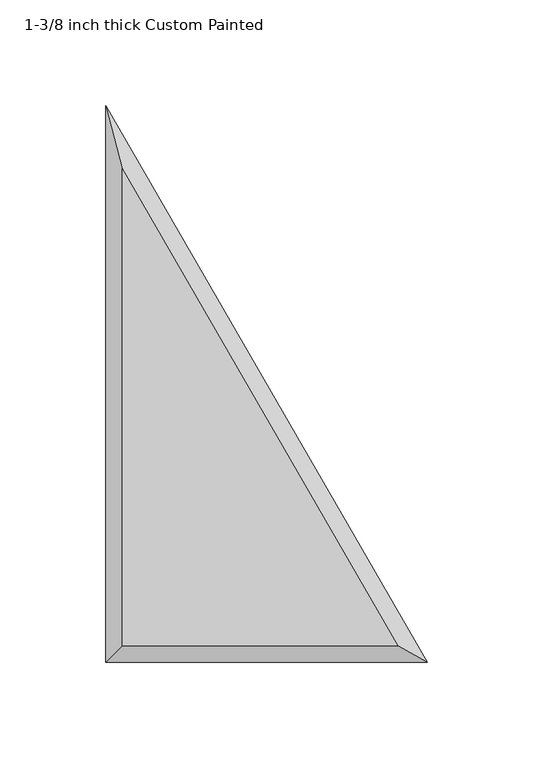
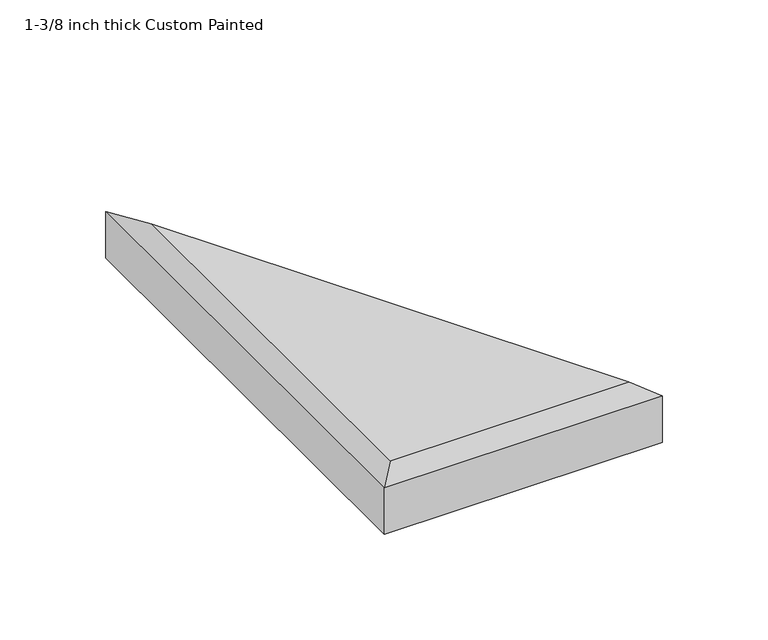
"""IFC4 building model written with IfcOpenShell, lengths in millimetres: proxy geometry, 1-3/8 inch thick Custom Painted."""

import ifcopenshell
import ifcopenshell.guid

model = None  # the IFC model being written
_history = None  # IfcOwnerHistory: only IFC2X3 demands one
_inside = {}  # id of a spatial element -> (the spatial element, [elements in it])
_under = {}  # id of a project, library or spatial element -> (it, [spatial elements below it])
_declared = {}  # id of a project -> (the project, [libraries it declares])
_typed = {}  # id of a type object -> (the type object, [elements of that type])
_made_of = {}  # id of a material, layer set ... -> (it, [elements and type objects made of it])


def new_model(schema):
    """Start an empty IFC model of exactly this schema.

    Asked for "IFC4X3", IfcOpenShell would pick the latest addendum, in which some entities
    have other attributes; the version numbers below select the first issue.
    IFC2X3 requires an IfcOwnerHistory on every rooted entity: one is made here for all.
    """
    global model, _history
    if schema == "IFC4X3":
        model = ifcopenshell.file(schema_version=(4, 3, 0, 0))
    else:
        model = ifcopenshell.file(schema=schema)
    _inside.clear()
    _under.clear()
    _declared.clear()
    _typed.clear()
    _made_of.clear()
    _history = None
    if model.schema == "IFC2X3":
        org = make("IfcOrganization", Name="unknown")
        user = make(
            "IfcPersonAndOrganization",
            ThePerson=make("IfcPerson", FamilyName="unknown"),
            TheOrganization=org,
        )
        app = make(
            "IfcApplication",
            ApplicationDeveloper=org,
            Version="unknown",
            ApplicationFullName="unknown",
            ApplicationIdentifier="unknown",
        )
        _history = make(
            "IfcOwnerHistory",
            OwningUser=user,
            OwningApplication=app,
            ChangeAction="ADDED",
            CreationDate=0,
        )
    return model


def make(cls, **values):
    """One entity of the class cls with the attributes given. An attribute that is None is left unset."""
    return model.create_entity(
        cls, **{name: value for name, value in values.items() if value is not None}
    )


def rooted(cls, **values):
    """An entity with a GlobalId (a new one), such as an element, a storey or a relation."""
    return make(cls, GlobalId=ifcopenshell.guid.new(), OwnerHistory=_history, **values)


def si_unit(unit_type, name, prefix=None):
    """IfcSIUnit, for example si_unit("LENGTHUNIT", "METRE", prefix="MILLI")."""
    return make("IfcSIUnit", UnitType=unit_type, Prefix=prefix, Name=name)


def assignment(units):
    """IfcUnitAssignment: the units of a project."""
    return None if units is None else make("IfcUnitAssignment", Units=units)


def point(xyz):
    """IfcCartesianPoint."""
    return None if xyz is None else make("IfcCartesianPoint", Coordinates=xyz)


def direction(xyz):
    """IfcDirection."""
    return None if xyz is None else make("IfcDirection", DirectionRatios=xyz)


def frame(location, z_axis=None, x_axis=None):
    """IfcAxis2Placement3D, a coordinate frame: its origin and axes. An axis left out is left unset."""
    return make(
        "IfcAxis2Placement3D",
        Location=point(location),
        Axis=direction(z_axis),
        RefDirection=direction(x_axis),
    )


def origin():
    """The frame at (0, 0, 0) with its axes left unset."""
    return frame((0.0, 0.0, 0.0))


def place(relative_to, where):
    """IfcLocalPlacement: puts the frame where relative to a parent placement (None: the world)."""
    return make(
        "IfcLocalPlacement", PlacementRelTo=relative_to, RelativePlacement=where
    )


def context(
    kind, dimensions, precision=None, world=None, true_north=None, identifier=None
):
    """IfcGeometricRepresentationContext, for example the 3D "Model" context."""
    return make(
        "IfcGeometricRepresentationContext",
        ContextIdentifier=identifier,
        ContextType=kind,
        CoordinateSpaceDimension=dimensions,
        Precision=precision,
        WorldCoordinateSystem=world,
        TrueNorth=true_north,
    )


def project(units=None, contexts=None):
    """IfcProject with its units and contexts."""
    return rooted(
        "IfcProject",
        Name="project",
        RepresentationContexts=contexts,
        UnitsInContext=assignment(units),
    )


def spatial(cls, under=None, at=None, **own):
    """A site, building, storey or space (cls), placed at a placement, below another one or the project."""
    s = rooted(cls, ObjectPlacement=at, **own)
    if under is not None:
        _under.setdefault(under.id(), (under, []))[1].append(s)
    return s


def faces_of(points, faces, orient=None, outer=None):
    """IfcFace entities. A face is a list of loops; a loop is a list of indices into points, from 0.

    orient and outer hold one flag for each loop. By default every Orientation is true, the
    first loop of a face is its IfcFaceOuterBound and the others are IfcFaceBound.
    """
    made = []
    for i, loops in enumerate(faces):
        bounds = []
        for j, loop in enumerate(loops):
            is_outer = j == 0 if outer is None else outer[i][j]
            bounds.append(
                make(
                    "IfcFaceOuterBound" if is_outer else "IfcFaceBound",
                    Bound=make("IfcPolyLoop", Polygon=[points[k] for k in loop]),
                    Orientation=True if orient is None else orient[i][j],
                )
            )
        made.append(make("IfcFace", Bounds=bounds))
    return made


def faceted_brep(points, faces, orient=None, outer=None, voids=None):
    """IfcFacetedBrep: a solid bounded by flat faces; with voids (closed shells), ...WithVoids."""
    shared = [point(p) for p in points]
    hull = make("IfcClosedShell", CfsFaces=faces_of(shared, faces, orient, outer))
    if voids is None:
        return make("IfcFacetedBrep", Outer=hull)
    return make(
        "IfcFacetedBrepWithVoids",
        Outer=hull,
        Voids=[
            make(cls, CfsFaces=faces_of(shared, fs, o, b)) for cls, fs, o, b in voids
        ],
    )


def shape(context_of_items, identifier, shape_type, items):
    """IfcShapeRepresentation: the items that make up one representation, for example the "Body"."""
    return make(
        "IfcShapeRepresentation",
        ContextOfItems=context_of_items,
        RepresentationIdentifier=identifier,
        RepresentationType=shape_type,
        Items=items,
    )


def source(mapping_origin, context_of_items, identifier, shape_type, items):
    """IfcRepresentationMap: a shape defined once, which mapped items show again and again."""
    return make(
        "IfcRepresentationMap",
        MappingOrigin=mapping_origin,
        MappedRepresentation=shape(context_of_items, identifier, shape_type, items),
    )


def transform(
    local_origin,
    x_axis=None,
    y_axis=None,
    z_axis=None,
    scale=None,
    scale2=None,
    scale3=None,
    uniform=True,
):
    """IfcCartesianTransformationOperator3D, or its non-uniform kind. x_axis, y_axis, z_axis: its Axis1, 2, 3."""
    if uniform:
        return make(
            "IfcCartesianTransformationOperator3D",
            Axis1=direction(x_axis),
            Axis2=direction(y_axis),
            LocalOrigin=point(local_origin),
            Scale=scale,
            Axis3=direction(z_axis),
        )
    return make(
        "IfcCartesianTransformationOperator3DnonUniform",
        Axis1=direction(x_axis),
        Axis2=direction(y_axis),
        LocalOrigin=point(local_origin),
        Scale=scale,
        Axis3=direction(z_axis),
        Scale2=scale2,
        Scale3=scale3,
    )


def mapped(mapping_source, mapping_target):
    """IfcMappedItem: shows the shape of a source again, moved by a transform."""
    return make(
        "IfcMappedItem", MappingSource=mapping_source, MappingTarget=mapping_target
    )


def made_of(thing, what):
    """Note that an element or type object is made of a material, layer set ...; save() writes the relation."""
    if what is not None:
        _made_of.setdefault(what.id(), (what, []))[1].append(thing)
    return thing


def element(
    cls,
    number,
    at=None,
    inside=None,
    cuts=None,
    type_object=None,
    material=None,
    context=None,
    identifier="Body",
    shape_type=None,
    held_by="IfcProductDefinitionShape",
    body=None,
    shapes=None,
    **own,
):
    """One element of the class cls, such as IfcWall. Its Tag is "e" and its number.

    at: its placement. inside: the storey or other place that contains it. cuts: it is an
    opening in that element (IfcRelVoidsElement). A single representation is given by context,
    identifier, shape_type and body (its items); several are given by shapes. held_by: the class
    of the entity that holds the representations. save() writes the other relations.
    """
    e = rooted(cls, Tag="e%d" % number, ObjectPlacement=at, **own)
    if body is not None:
        shapes = [shape(context, identifier, shape_type, body)]
    if shapes is not None:
        e.Representation = make(held_by, Representations=shapes)
    if inside is not None:
        _inside.setdefault(inside.id(), (inside, []))[1].append(e)
    if cuts is not None:
        rooted(
            "IfcRelVoidsElement", RelatingBuildingElement=cuts, RelatedOpeningElement=e
        )
    if type_object is not None:
        _typed.setdefault(type_object.id(), (type_object, []))[1].append(e)
    return made_of(e, material)


def aggregate(whole, parts):
    """IfcRelAggregates: a whole, such as a stair, and the parts it consists of."""
    return rooted("IfcRelAggregates", RelatingObject=whole, RelatedObjects=parts)


def save(model, path):
    """Write the relations noted so far, then the file.

    IfcRelAggregates (storeys below a building ...), IfcRelContainedInSpatialStructure (elements
    in a storey), IfcRelDefinesByType, IfcRelAssociatesMaterial and IfcRelDeclares: one each for
    every whole, place, type object, material and project.
    """
    for whole, parts in _under.values():
        aggregate(whole, parts)
    for where, things in _inside.values():
        rooted(
            "IfcRelContainedInSpatialStructure",
            RelatedElements=things,
            RelatingStructure=where,
        )
    for kind, things in _typed.values():
        rooted("IfcRelDefinesByType", RelatedObjects=things, RelatingType=kind)
    for what, things in _made_of.values():
        rooted("IfcRelAssociatesMaterial", RelatedObjects=things, RelatingMaterial=what)
    for by, libraries in _declared.values():
        rooted("IfcRelDeclares", RelatingContext=by, RelatedDefinitions=libraries)
    model.write(path)


def proxy_1_3_8_inch_thick_custom_painted_ffd49ae4(model_context):
    return source(origin(), model_context, "Body", "Brep", [
        faceted_brep([(8.001, 234.1044046, 34.925), (8.001, 8.001, 34.925), (138.5418615, 8.001, 34.925), (152.4, 0.0, 0.0), (0.0, 0.0, 0.0), (0.0, 263.9645431, 0.0), (152.4, 0.0, 26.924), (0.0, 0.0, 26.924), (0.0, 263.9645431, 26.924)], [[[0, 1, 2]], [[3, 4, 5]], [[4, 3, 6, 7]], [[3, 5, 8, 6]], [[5, 4, 7, 8]], [[7, 1, 0, 8]], [[1, 7, 6, 2]], [[8, 0, 2, 6]]]),
    ])


if __name__ == "__main__":
    model = new_model("IFC4")
    model_context = context("Model", 3, world=origin())
    ifc_project = project(units=[si_unit("LENGTHUNIT", "METRE", prefix="MILLI")], contexts=[model_context])
    site = spatial("IfcSite", under=ifc_project)
    building = spatial("IfcBuilding", under=site)
    placement = place(None, origin())
    proxy_1_3_8_inch_thick_custom_painted_shape = proxy_1_3_8_inch_thick_custom_painted_ffd49ae4(model_context)
    element("IfcBuildingElementProxy", 1, Name="1-3/8 inch thick Custom Painted", ObjectType="1-3/8 inch thick Custom Painted", at=placement, inside=building, context=model_context, shape_type="MappedRepresentation", body=[
        mapped(proxy_1_3_8_inch_thick_custom_painted_shape, transform((0.0, 0.0, 0.0), x_axis=(1.0, 0.0, 0.0), y_axis=(0.0, 1.0, 0.0), z_axis=(0.0, 0.0, 1.0))),
    ])
    save(model, "model.ifc")
